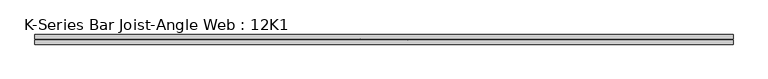
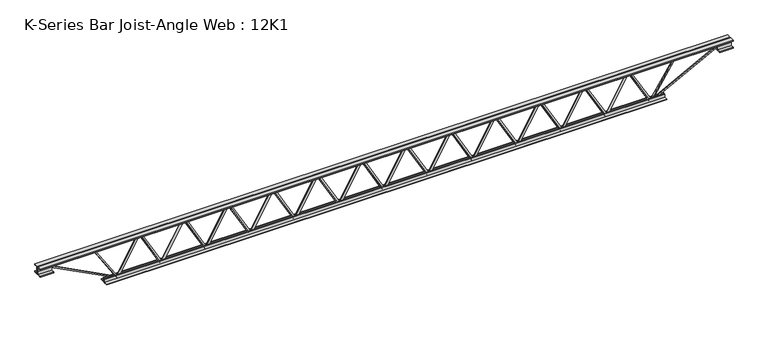
"""IFC4 building model written with IfcOpenShell, lengths in millimetres: beam geometry, K-Series Bar Joist-Angle Web : 12K1."""

from ifc_helpers import new_model, si_unit, frame, origin, place, context, project, spatial, polyline, outline, extrude, faceted_brep, source, transform, mapped, element, save


def k_series_bar_joist_angle_web_12k1_cefe0505(model_context):
    return source(origin(), model_context, "Body", "SolidModel", [
        extrude(outline(polyline([(-4.7625, -4.7625), (-17.4625, -4.7625), (-17.4625, 0.0), (-4.7625, 0.0), (-4.7625, -4.7625)])), frame((1671.6442885, 0.0, -114.3), z_axis=(-0.4915136705372825, 0.0, 0.8708698592068552), x_axis=(0.0, 1.0, 0.0)), (0.0, 0.0, 1.0), 262.496167),
        extrude(outline(polyline([(-130.175, 1703.2672348), (-130.175, 1702.4787229), (149.225, 1544.7870562), (149.225, 1526.5255682), (130.175, 1526.5255682), (130.175, 1533.6640802), (-149.225, 1691.3557468), (-149.225, 1703.2672348), (-130.175, 1703.2672348)])), frame((0.0, -4.7625, 0.0), z_axis=(0.0, 1.0, 0.0), x_axis=(0.0, 0.0, 1.0)), (0.0, 0.0, 1.0), 4.7625),
        faceted_brep([(1362.4839015, 0.0, -130.175), (1362.4839015, 4.7625, -130.175), (1362.4839015, 4.7625, -149.225), (1362.4839015, 0.0, -149.225), (1374.3953895, 0.0, -149.225), (1532.0870562, 0.0, 130.175), (1539.2255682, 0.0, 130.175), (1539.2255682, 0.0, 149.225), (1520.9640802, 0.0, 149.225), (1363.2724135, 0.0, -130.175), (1374.3953895, 4.7625, -149.225), (1363.2724135, 4.7625, -130.175), (1520.9640802, 4.7625, 149.225), (1539.2255682, 4.7625, 149.225), (1539.2255682, 4.7625, 130.175), (1532.0870562, 4.7625, 130.175), (1523.1273024, 4.7625, 114.3), (1518.9797847, 4.7625, 116.6408339), (1389.9593302, 4.7625, -111.9591661), (1394.1068479, 4.7625, -114.3), (1394.1068479, 17.4625, -114.3), (1523.1273024, 17.4625, 114.3), (1389.9593302, 17.4625, -111.9591661), (1518.9797847, 17.4625, 116.6408339)], [[[0, 1, 2, 3]], [[3, 4, 5, 6, 7, 8, 9, 0]], [[2, 10, 4, 3]], [[1, 11, 12, 13, 14, 15, 16, 17, 18, 19, 10, 2]], [[0, 9, 11, 1]], [[4, 10, 19, 20, 21, 16, 15, 5]], [[8, 12, 11, 9]], [[6, 14, 13, 7]], [[5, 15, 14, 6]], [[7, 13, 12, 8]], [[20, 19, 18, 22]], [[21, 23, 17, 16]], [[22, 23, 21, 20]], [[18, 17, 23, 22]]]),
        extrude(outline(polyline([(-4.7625, -4.7625), (-17.4625, -4.7625), (-17.4625, 0.0), (-4.7625, 0.0), (-4.7625, -4.7625)])), frame((1331.0052733, 0.0, -114.3), z_axis=(-0.4915136705372825, 0.0, 0.8708698592068552), x_axis=(0.0, 1.0, 0.0)), (0.0, 0.0, 1.0), 262.496167),
        extrude(outline(polyline([(-130.175, 1362.6282197), (-130.175, 1361.8397077), (149.225, 1204.148041), (149.225, 1185.886553), (130.175, 1185.886553), (130.175, 1193.025065), (-149.225, 1350.7167317), (-149.225, 1362.6282197), (-130.175, 1362.6282197)])), frame((0.0, -4.7625, 0.0), z_axis=(0.0, 1.0, 0.0), x_axis=(0.0, 0.0, 1.0)), (0.0, 0.0, 1.0), 4.7625),
        faceted_brep([(1021.8448864, 0.0, -130.175), (1021.8448864, 4.7625, -130.175), (1021.8448864, 4.7625, -149.225), (1021.8448864, 0.0, -149.225), (1033.7563744, 0.0, -149.225), (1191.448041, 0.0, 130.175), (1198.586553, 0.0, 130.175), (1198.586553, 0.0, 149.225), (1180.325065, 0.0, 149.225), (1022.6333983, 0.0, -130.175), (1033.7563744, 4.7625, -149.225), (1022.6333983, 4.7625, -130.175), (1180.325065, 4.7625, 149.225), (1198.586553, 4.7625, 149.225), (1198.586553, 4.7625, 130.175), (1191.448041, 4.7625, 130.175), (1182.4882873, 4.7625, 114.3), (1178.3407696, 4.7625, 116.6408339), (1049.320315, 4.7625, -111.9591661), (1053.4678327, 4.7625, -114.3), (1053.4678327, 17.4625, -114.3), (1182.4882873, 17.4625, 114.3), (1049.320315, 17.4625, -111.9591661), (1178.3407696, 17.4625, 116.6408339)], [[[0, 1, 2, 3]], [[3, 4, 5, 6, 7, 8, 9, 0]], [[2, 10, 4, 3]], [[1, 11, 12, 13, 14, 15, 16, 17, 18, 19, 10, 2]], [[0, 9, 11, 1]], [[4, 10, 19, 20, 21, 16, 15, 5]], [[8, 12, 11, 9]], [[6, 14, 13, 7]], [[5, 15, 14, 6]], [[7, 13, 12, 8]], [[20, 19, 18, 22]], [[21, 23, 17, 16]], [[22, 23, 21, 20]], [[18, 17, 23, 22]]]),
        extrude(outline(polyline([(-4.7625, -4.7625), (-17.4625, -4.7625), (-17.4625, 0.0), (-4.7625, 0.0), (-4.7625, -4.7625)])), frame((990.3662582, 0.0, -114.3), z_axis=(-0.4915136705372825, 0.0, 0.8708698592068552), x_axis=(0.0, 1.0, 0.0)), (0.0, 0.0, 1.0), 262.496167),
        extrude(outline(polyline([(-130.175, 1021.9892045), (-130.175, 1021.2006926), (149.225, 863.5090259), (149.225, 845.2475379), (130.175, 845.2475379), (130.175, 852.3860499), (-149.225, 1010.0777165), (-149.225, 1021.9892045), (-130.175, 1021.9892045)])), frame((0.0, -4.7625, 0.0), z_axis=(0.0, 1.0, 0.0), x_axis=(0.0, 0.0, 1.0)), (0.0, 0.0, 1.0), 4.7625),
        faceted_brep([(681.2058712, 0.0, -130.175), (681.2058712, 4.7625, -130.175), (681.2058712, 4.7625, -149.225), (681.2058712, 0.0, -149.225), (693.1173592, 0.0, -149.225), (850.8090259, 0.0, 130.175), (857.9475379, 0.0, 130.175), (857.9475379, 0.0, 149.225), (839.6860499, 0.0, 149.225), (681.9943832, 0.0, -130.175), (693.1173592, 4.7625, -149.225), (681.9943832, 4.7625, -130.175), (839.6860499, 4.7625, 149.225), (857.9475379, 4.7625, 149.225), (857.9475379, 4.7625, 130.175), (850.8090259, 4.7625, 130.175), (841.8492721, 4.7625, 114.3), (837.7017544, 4.7625, 116.6408339), (708.6812999, 4.7625, -111.9591661), (712.8288176, 4.7625, -114.3), (712.8288176, 17.4625, -114.3), (841.8492721, 17.4625, 114.3), (708.6812999, 17.4625, -111.9591661), (837.7017544, 17.4625, 116.6408339)], [[[0, 1, 2, 3]], [[3, 4, 5, 6, 7, 8, 9, 0]], [[2, 10, 4, 3]], [[1, 11, 12, 13, 14, 15, 16, 17, 18, 19, 10, 2]], [[0, 9, 11, 1]], [[4, 10, 19, 20, 21, 16, 15, 5]], [[8, 12, 11, 9]], [[6, 14, 13, 7]], [[5, 15, 14, 6]], [[7, 13, 12, 8]], [[20, 19, 18, 22]], [[21, 23, 17, 16]], [[22, 23, 21, 20]], [[18, 17, 23, 22]]]),
        extrude(outline(polyline([(-4.7625, -4.7625), (-17.4625, -4.7625), (-17.4625, 0.0), (-4.7625, 0.0), (-4.7625, -4.7625)])), frame((649.727243, 0.0, -114.3), z_axis=(-0.4915136705372825, 0.0, 0.8708698592068552), x_axis=(0.0, 1.0, 0.0)), (0.0, 0.0, 1.0), 262.496167),
        extrude(outline(polyline([(-130.175, 681.3501894), (-130.175, 680.5616774), (149.225, 522.8700107), (149.225, 504.6085227), (130.175, 504.6085227), (130.175, 511.7470347), (-149.225, 669.4387014), (-149.225, 681.3501894), (-130.175, 681.3501894)])), frame((0.0, -4.7625, 0.0), z_axis=(0.0, 1.0, 0.0), x_axis=(0.0, 0.0, 1.0)), (0.0, 0.0, 1.0), 4.7625),
        faceted_brep([(340.5668561, 0.0, -130.175), (340.5668561, 4.7625, -130.175), (340.5668561, 4.7625, -149.225), (340.5668561, 0.0, -149.225), (352.4783441, 0.0, -149.225), (510.1700107, 0.0, 130.175), (517.3085227, 0.0, 130.175), (517.3085227, 0.0, 149.225), (499.0470347, 0.0, 149.225), (341.355368, 0.0, -130.175), (352.4783441, 4.7625, -149.225), (341.355368, 4.7625, -130.175), (499.0470347, 4.7625, 149.225), (517.3085227, 4.7625, 149.225), (517.3085227, 4.7625, 130.175), (510.1700107, 4.7625, 130.175), (501.210257, 4.7625, 114.3), (497.0627393, 4.7625, 116.6408339), (368.0422847, 4.7625, -111.9591661), (372.1898024, 4.7625, -114.3), (372.1898024, 17.4625, -114.3), (501.210257, 17.4625, 114.3), (368.0422847, 17.4625, -111.9591661), (497.0627393, 17.4625, 116.6408339)], [[[0, 1, 2, 3]], [[3, 4, 5, 6, 7, 8, 9, 0]], [[2, 10, 4, 3]], [[1, 11, 12, 13, 14, 15, 16, 17, 18, 19, 10, 2]], [[0, 9, 11, 1]], [[4, 10, 19, 20, 21, 16, 15, 5]], [[8, 12, 11, 9]], [[6, 14, 13, 7]], [[5, 15, 14, 6]], [[7, 13, 12, 8]], [[20, 19, 18, 22]], [[21, 23, 17, 16]], [[22, 23, 21, 20]], [[18, 17, 23, 22]]]),
        extrude(outline(polyline([(-4.7625, -4.7625), (-17.4625, -4.7625), (-17.4625, 0.0), (-4.7625, 0.0), (-4.7625, -4.7625)])), frame((309.0882279, 0.0, -114.3), z_axis=(-0.4915136705372825, 0.0, 0.8708698592068552), x_axis=(0.0, 1.0, 0.0)), (0.0, 0.0, 1.0), 262.496167),
        extrude(outline(polyline([(-130.175, 340.7111742), (-130.175, 339.9226623), (149.225, 182.2309956), (149.225, 163.9695076), (130.175, 163.9695076), (130.175, 171.1080196), (-149.225, 328.7996862), (-149.225, 340.7111742), (-130.175, 340.7111742)])), frame((0.0, -4.7625, 0.0), z_axis=(0.0, 1.0, 0.0), x_axis=(0.0, 0.0, 1.0)), (0.0, 0.0, 1.0), 4.7625),
        faceted_brep([(-0.0721591, 0.0, -130.175), (-0.0721591, 4.7625, -130.175), (-0.0721591, 4.7625, -149.225), (-0.0721591, 0.0, -149.225), (11.8393289, 0.0, -149.225), (169.5309956, 0.0, 130.175), (176.6695076, 0.0, 130.175), (176.6695076, 0.0, 149.225), (158.4080196, 0.0, 149.225), (0.7163529, 0.0, -130.175), (11.8393289, 4.7625, -149.225), (0.7163529, 4.7625, -130.175), (158.4080196, 4.7625, 149.225), (176.6695076, 4.7625, 149.225), (176.6695076, 4.7625, 130.175), (169.5309956, 4.7625, 130.175), (160.5712418, 4.7625, 114.3), (156.4237241, 4.7625, 116.6408339), (27.4032696, 4.7625, -111.9591661), (31.5507873, 4.7625, -114.3), (31.5507873, 17.4625, -114.3), (160.5712418, 17.4625, 114.3), (27.4032696, 17.4625, -111.9591661), (156.4237241, 17.4625, 116.6408339)], [[[0, 1, 2, 3]], [[3, 4, 5, 6, 7, 8, 9, 0]], [[2, 10, 4, 3]], [[1, 11, 12, 13, 14, 15, 16, 17, 18, 19, 10, 2]], [[0, 9, 11, 1]], [[4, 10, 19, 20, 21, 16, 15, 5]], [[8, 12, 11, 9]], [[6, 14, 13, 7]], [[5, 15, 14, 6]], [[7, 13, 12, 8]], [[20, 19, 18, 22]], [[21, 23, 17, 16]], [[22, 23, 21, 20]], [[18, 17, 23, 22]]]),
        extrude(outline(polyline([(-4.7625, -4.7625), (-17.4625, -4.7625), (-17.4625, 0.0), (-4.7625, 0.0), (-4.7625, -4.7625)])), frame((-31.5507873, 0.0, -114.3), z_axis=(-0.4915136705372825, 0.0, 0.8708698592068552), x_axis=(0.0, 1.0, 0.0)), (0.0, 0.0, 1.0), 262.496167),
        extrude(outline(polyline([(-130.175, 0.0721591), (-130.175, -0.7163529), (149.225, -158.4080196), (149.225, -176.6695076), (130.175, -176.6695076), (130.175, -169.5309956), (-149.225, -11.8393289), (-149.225, 0.0721591), (-130.175, 0.0721591)])), frame((0.0, -4.7625, 0.0), z_axis=(0.0, 1.0, 0.0), x_axis=(0.0, 0.0, 1.0)), (0.0, 0.0, 1.0), 4.7625),
        faceted_brep([(-340.7111742, 0.0, -130.175), (-340.7111742, 4.7625, -130.175), (-340.7111742, 4.7625, -149.225), (-340.7111742, 0.0, -149.225), (-328.7996862, 0.0, -149.225), (-171.1080196, 0.0, 130.175), (-163.9695076, 0.0, 130.175), (-163.9695076, 0.0, 149.225), (-182.2309956, 0.0, 149.225), (-339.9226623, 0.0, -130.175), (-328.7996862, 4.7625, -149.225), (-339.9226623, 4.7625, -130.175), (-182.2309956, 4.7625, 149.225), (-163.9695076, 4.7625, 149.225), (-163.9695076, 4.7625, 130.175), (-171.1080196, 4.7625, 130.175), (-180.0677733, 4.7625, 114.3), (-184.215291, 4.7625, 116.6408339), (-313.2357456, 4.7625, -111.9591661), (-309.0882279, 4.7625, -114.3), (-309.0882279, 17.4625, -114.3), (-180.0677733, 17.4625, 114.3), (-313.2357456, 17.4625, -111.9591661), (-184.215291, 17.4625, 116.6408339)], [[[0, 1, 2, 3]], [[3, 4, 5, 6, 7, 8, 9, 0]], [[2, 10, 4, 3]], [[1, 11, 12, 13, 14, 15, 16, 17, 18, 19, 10, 2]], [[0, 9, 11, 1]], [[4, 10, 19, 20, 21, 16, 15, 5]], [[8, 12, 11, 9]], [[6, 14, 13, 7]], [[5, 15, 14, 6]], [[7, 13, 12, 8]], [[20, 19, 18, 22]], [[21, 23, 17, 16]], [[22, 23, 21, 20]], [[18, 17, 23, 22]]]),
        extrude(outline(polyline([(-4.7625, -4.7625), (-17.4625, -4.7625), (-17.4625, 0.0), (-4.7625, 0.0), (-4.7625, -4.7625)])), frame((-372.1898024, 0.0, -114.3), z_axis=(-0.4915136705372825, 0.0, 0.8708698592068552), x_axis=(0.0, 1.0, 0.0)), (0.0, 0.0, 1.0), 262.496167),
        extrude(outline(polyline([(-130.175, -340.5668561), (-130.175, -341.355368), (149.225, -499.0470347), (149.225, -517.3085227), (130.175, -517.3085227), (130.175, -510.1700107), (-149.225, -352.4783441), (-149.225, -340.5668561), (-130.175, -340.5668561)])), frame((0.0, -4.7625, 0.0), z_axis=(0.0, 1.0, 0.0), x_axis=(0.0, 0.0, 1.0)), (0.0, 0.0, 1.0), 4.7625),
        faceted_brep([(-681.3501894, 0.0, -130.175), (-681.3501894, 4.7625, -130.175), (-681.3501894, 4.7625, -149.225), (-681.3501894, 0.0, -149.225), (-669.4387014, 0.0, -149.225), (-511.7470347, 0.0, 130.175), (-504.6085227, 0.0, 130.175), (-504.6085227, 0.0, 149.225), (-522.8700107, 0.0, 149.225), (-680.5616774, 0.0, -130.175), (-669.4387014, 4.7625, -149.225), (-680.5616774, 4.7625, -130.175), (-522.8700107, 4.7625, 149.225), (-504.6085227, 4.7625, 149.225), (-504.6085227, 4.7625, 130.175), (-511.7470347, 4.7625, 130.175), (-520.7067885, 4.7625, 114.3), (-524.8543062, 4.7625, 116.6408339), (-653.8747607, 4.7625, -111.9591661), (-649.727243, 4.7625, -114.3), (-649.727243, 17.4625, -114.3), (-520.7067885, 17.4625, 114.3), (-653.8747607, 17.4625, -111.9591661), (-524.8543062, 17.4625, 116.6408339)], [[[0, 1, 2, 3]], [[3, 4, 5, 6, 7, 8, 9, 0]], [[2, 10, 4, 3]], [[1, 11, 12, 13, 14, 15, 16, 17, 18, 19, 10, 2]], [[0, 9, 11, 1]], [[4, 10, 19, 20, 21, 16, 15, 5]], [[8, 12, 11, 9]], [[6, 14, 13, 7]], [[5, 15, 14, 6]], [[7, 13, 12, 8]], [[20, 19, 18, 22]], [[21, 23, 17, 16]], [[22, 23, 21, 20]], [[18, 17, 23, 22]]]),
        extrude(outline(polyline([(-4.7625, -4.7625), (-17.4625, -4.7625), (-17.4625, 0.0), (-4.7625, 0.0), (-4.7625, -4.7625)])), frame((-712.8288176, 0.0, -114.3), z_axis=(-0.4915136705372825, 0.0, 0.8708698592068552), x_axis=(0.0, 1.0, 0.0)), (0.0, 0.0, 1.0), 262.496167),
        extrude(outline(polyline([(-130.175, -681.2058712), (-130.175, -681.9943832), (149.225, -839.6860499), (149.225, -857.9475379), (130.175, -857.9475379), (130.175, -850.8090259), (-149.225, -693.1173592), (-149.225, -681.2058712), (-130.175, -681.2058712)])), frame((0.0, -4.7625, 0.0), z_axis=(0.0, 1.0, 0.0), x_axis=(0.0, 0.0, 1.0)), (0.0, 0.0, 1.0), 4.7625),
        faceted_brep([(-1021.9892045, 0.0, -130.175), (-1021.9892045, 4.7625, -130.175), (-1021.9892045, 4.7625, -149.225), (-1021.9892045, 0.0, -149.225), (-1010.0777165, 0.0, -149.225), (-852.3860499, 0.0, 130.175), (-845.2475379, 0.0, 130.175), (-845.2475379, 0.0, 149.225), (-863.5090259, 0.0, 149.225), (-1021.2006926, 0.0, -130.175), (-1010.0777165, 4.7625, -149.225), (-1021.2006926, 4.7625, -130.175), (-863.5090259, 4.7625, 149.225), (-845.2475379, 4.7625, 149.225), (-845.2475379, 4.7625, 130.175), (-852.3860499, 4.7625, 130.175), (-861.3458036, 4.7625, 114.3), (-865.4933214, 4.7625, 116.6408339), (-994.5137759, 4.7625, -111.9591661), (-990.3662582, 4.7625, -114.3), (-990.3662582, 17.4625, -114.3), (-861.3458036, 17.4625, 114.3), (-994.5137759, 17.4625, -111.9591661), (-865.4933214, 17.4625, 116.6408339)], [[[0, 1, 2, 3]], [[3, 4, 5, 6, 7, 8, 9, 0]], [[2, 10, 4, 3]], [[1, 11, 12, 13, 14, 15, 16, 17, 18, 19, 10, 2]], [[0, 9, 11, 1]], [[4, 10, 19, 20, 21, 16, 15, 5]], [[8, 12, 11, 9]], [[6, 14, 13, 7]], [[5, 15, 14, 6]], [[7, 13, 12, 8]], [[20, 19, 18, 22]], [[21, 23, 17, 16]], [[22, 23, 21, 20]], [[18, 17, 23, 22]]]),
        extrude(outline(polyline([(-4.7625, -4.7625), (-17.4625, -4.7625), (-17.4625, 0.0), (-4.7625, 0.0), (-4.7625, -4.7625)])), frame((-1053.4678327, 0.0, -114.3), z_axis=(-0.4915136705372825, 0.0, 0.8708698592068552), x_axis=(0.0, 1.0, 0.0)), (0.0, 0.0, 1.0), 262.496167),
        extrude(outline(polyline([(-130.175, -1021.8448864), (-130.175, -1022.6333983), (149.225, -1180.325065), (149.225, -1198.586553), (130.175, -1198.586553), (130.175, -1191.448041), (-149.225, -1033.7563744), (-149.225, -1021.8448864), (-130.175, -1021.8448864)])), frame((0.0, -4.7625, 0.0), z_axis=(0.0, 1.0, 0.0), x_axis=(0.0, 0.0, 1.0)), (0.0, 0.0, 1.0), 4.7625),
        faceted_brep([(-1362.6282197, 0.0, -130.175), (-1362.6282197, 4.7625, -130.175), (-1362.6282197, 4.7625, -149.225), (-1362.6282197, 0.0, -149.225), (-1350.7167317, 0.0, -149.225), (-1193.025065, 0.0, 130.175), (-1185.886553, 0.0, 130.175), (-1185.886553, 0.0, 149.225), (-1204.148041, 0.0, 149.225), (-1361.8397077, 0.0, -130.175), (-1350.7167317, 4.7625, -149.225), (-1361.8397077, 4.7625, -130.175), (-1204.148041, 4.7625, 149.225), (-1185.886553, 4.7625, 149.225), (-1185.886553, 4.7625, 130.175), (-1193.025065, 4.7625, 130.175), (-1201.9848188, 4.7625, 114.3), (-1206.1323365, 4.7625, 116.6408339), (-1335.152791, 4.7625, -111.9591661), (-1331.0052733, 4.7625, -114.3), (-1331.0052733, 17.4625, -114.3), (-1201.9848188, 17.4625, 114.3), (-1335.152791, 17.4625, -111.9591661), (-1206.1323365, 17.4625, 116.6408339)], [[[0, 1, 2, 3]], [[3, 4, 5, 6, 7, 8, 9, 0]], [[2, 10, 4, 3]], [[1, 11, 12, 13, 14, 15, 16, 17, 18, 19, 10, 2]], [[0, 9, 11, 1]], [[4, 10, 19, 20, 21, 16, 15, 5]], [[8, 12, 11, 9]], [[6, 14, 13, 7]], [[5, 15, 14, 6]], [[7, 13, 12, 8]], [[20, 19, 18, 22]], [[21, 23, 17, 16]], [[22, 23, 21, 20]], [[18, 17, 23, 22]]]),
        extrude(outline(polyline([(-4.7625, -4.7625), (-17.4625, -4.7625), (-17.4625, 0.0), (-4.7625, 0.0), (-4.7625, -4.7625)])), frame((-1394.1068479, 0.0, -114.3), z_axis=(-0.4915136705372825, 0.0, 0.8708698592068552), x_axis=(0.0, 1.0, 0.0)), (0.0, 0.0, 1.0), 262.496167),
        extrude(outline(polyline([(-130.175, -1362.4839015), (-130.175, -1363.2724135), (149.225, -1520.9640802), (149.225, -1539.2255682), (130.175, -1539.2255682), (130.175, -1532.0870562), (-149.225, -1374.3953895), (-149.225, -1362.4839015), (-130.175, -1362.4839015)])), frame((0.0, -4.7625, 0.0), z_axis=(0.0, 1.0, 0.0), x_axis=(0.0, 0.0, 1.0)), (0.0, 0.0, 1.0), 4.7625),
        faceted_brep([(-1703.2672348, 0.0, -130.175), (-1703.2672348, 4.7625, -130.175), (-1703.2672348, 4.7625, -149.225), (-1703.2672348, 0.0, -149.225), (-1691.3557468, 0.0, -149.225), (-1533.6640802, 0.0, 130.175), (-1526.5255682, 0.0, 130.175), (-1526.5255682, 0.0, 149.225), (-1544.7870562, 0.0, 149.225), (-1702.4787229, 0.0, -130.175), (-1691.3557468, 4.7625, -149.225), (-1702.4787229, 4.7625, -130.175), (-1544.7870562, 4.7625, 149.225), (-1526.5255682, 4.7625, 149.225), (-1526.5255682, 4.7625, 130.175), (-1533.6640802, 4.7625, 130.175), (-1542.623834, 4.7625, 114.3), (-1546.7713517, 4.7625, 116.6408339), (-1675.7918062, 4.7625, -111.9591661), (-1671.6442885, 4.7625, -114.3), (-1671.6442885, 17.4625, -114.3), (-1542.623834, 17.4625, 114.3), (-1675.7918062, 17.4625, -111.9591661), (-1546.7713517, 17.4625, 116.6408339)], [[[0, 1, 2, 3]], [[3, 4, 5, 6, 7, 8, 9, 0]], [[2, 10, 4, 3]], [[1, 11, 12, 13, 14, 15, 16, 17, 18, 19, 10, 2]], [[0, 9, 11, 1]], [[4, 10, 19, 20, 21, 16, 15, 5]], [[8, 12, 11, 9]], [[6, 14, 13, 7]], [[5, 15, 14, 6]], [[7, 13, 12, 8]], [[20, 19, 18, 22]], [[21, 23, 17, 16]], [[22, 23, 21, 20]], [[18, 17, 23, 22]]]),
        extrude(outline(polyline([(-4.7625, -4.7625001), (-17.4625, -4.7625001), (-17.4625, 0.0), (-4.7625, 0.0), (-4.7625, -4.7625001)])), frame((2012.2833036, 0.0, -114.3), z_axis=(-0.4915136705372825, 0.0, 0.8708698592068552), x_axis=(0.0, 1.0, 0.0)), (0.0, 0.0, 1.0), 262.496167),
        extrude(outline(polyline([(-130.175, 2043.90625), (-130.175, 2043.117738), (149.225, 1885.4260714), (149.225, 1867.1645833), (130.175, 1867.1645833), (130.175, 1874.3030953), (-149.225, 2031.994762), (-149.225, 2043.90625), (-130.175, 2043.90625)])), frame((0.0, -4.7625, 0.0), z_axis=(0.0, 1.0, 0.0), x_axis=(0.0, 0.0, 1.0)), (0.0, 0.0, 1.0), 4.7625),
        faceted_brep([(1703.1229167, 0.0, -130.175), (1703.1229167, 4.7625, -130.175), (1703.1229167, 4.7625, -149.225), (1703.1229167, 0.0, -149.225), (1715.0344047, 0.0, -149.225), (1872.7260714, 0.0, 130.175), (1879.8645833, 0.0, 130.175), (1879.8645833, 0.0, 149.225), (1861.6030953, 0.0, 149.225), (1703.9114286, 0.0, -130.175), (1715.0344047, 4.7625, -149.225), (1703.9114286, 4.7625, -130.175), (1861.6030953, 4.7625, 149.225), (1879.8645833, 4.7625, 149.225), (1879.8645833, 4.7625, 130.175), (1872.7260714, 4.7625, 130.175), (1863.7663176, 4.7625, 114.3), (1859.6187999, 4.7625, 116.6408339), (1730.5983453, 4.7625, -111.9591661), (1734.745863, 4.7625, -114.3), (1734.745863, 17.4625, -114.3), (1863.7663176, 17.4625, 114.3), (1730.5983453, 17.4625, -111.9591661), (1859.6187999, 17.4625, 116.6408339)], [[[0, 1, 2, 3]], [[3, 4, 5, 6, 7, 8, 9, 0]], [[2, 10, 4, 3]], [[1, 11, 12, 13, 14, 15, 16, 17, 18, 19, 10, 2]], [[0, 9, 11, 1]], [[4, 10, 19, 20, 21, 16, 15, 5]], [[8, 12, 11, 9]], [[6, 14, 13, 7]], [[5, 15, 14, 6]], [[7, 13, 12, 8]], [[20, 19, 18, 22]], [[21, 23, 17, 16]], [[22, 23, 21, 20]], [[18, 17, 23, 22]]]),
        extrude(outline(polyline([(-4.7625, -4.7625), (-17.4625, -4.7625), (-17.4625, 0.0), (-4.7625, 0.0), (-4.7625, -4.7625)])), frame((-1734.745863, 0.0, -114.3), z_axis=(-0.4915136705372825, 0.0, 0.8708698592068552), x_axis=(0.0, 1.0, 0.0)), (0.0, 0.0, 1.0), 262.496167),
        extrude(outline(polyline([(-130.175, -1703.1229167), (-130.175, -1703.9114286), (149.225, -1861.6030953), (149.225, -1879.8645833), (130.175, -1879.8645833), (130.175, -1872.7260714), (-149.225, -1715.0344047), (-149.225, -1703.1229167), (-130.175, -1703.1229167)])), frame((0.0, -4.7625, 0.0), z_axis=(0.0, 1.0, 0.0), x_axis=(0.0, 0.0, 1.0)), (0.0, 0.0, 1.0), 4.7625),
        faceted_brep([(-2043.90625, 0.0, -130.175), (-2043.90625, 4.7625, -130.175), (-2043.90625, 4.7625, -149.225), (-2043.90625, 0.0, -149.225), (-2031.994762, 0.0, -149.225), (-1874.3030953, 0.0, 130.175), (-1867.1645833, 0.0, 130.175), (-1867.1645833, 0.0, 149.225), (-1885.4260714, 0.0, 149.225), (-2043.117738, 0.0, -130.175), (-2031.994762, 4.7625, -149.225), (-2043.117738, 4.7625, -130.175), (-1885.4260714, 4.7625, 149.225), (-1867.1645833, 4.7625, 149.225), (-1867.1645833, 4.7625, 130.175), (-1874.3030953, 4.7625, 130.175), (-1883.2628491, 4.7625, 114.3), (-1887.4103668, 4.7625, 116.6408339), (-2016.4308214, 4.7625, -111.9591661), (-2012.2833036, 4.7625, -114.3), (-2012.2833036, 17.4625, -114.3), (-1883.2628491, 17.4625, 114.3), (-2016.4308214, 17.4625, -111.9591661), (-1887.4103668, 17.4625, 116.6408339)], [[[0, 1, 2, 3]], [[3, 4, 5, 6, 7, 8, 9, 0]], [[2, 10, 4, 3]], [[1, 11, 12, 13, 14, 15, 16, 17, 18, 19, 10, 2]], [[0, 9, 11, 1]], [[4, 10, 19, 20, 21, 16, 15, 5]], [[8, 12, 11, 9]], [[6, 14, 13, 7]], [[5, 15, 14, 6]], [[7, 13, 12, 8]], [[20, 19, 18, 22]], [[21, 23, 17, 16]], [[22, 23, 21, 20]], [[18, 17, 23, 22]]]),
        extrude(outline(polyline([(-4.7625, 152.4), (-4.7625, 120.65), (-11.1125, 120.65), (-11.1125, 146.05), (-36.5125, 146.05), (-36.5125, 152.4), (-4.7625, 152.4)])), frame((-2653.50625, 0.0, 0.0), z_axis=(1.0, 0.0, 0.0), x_axis=(0.0, 1.0, 0.0)), (0.0, 0.0, 1.0), 5307.0125),
        extrude(outline(polyline([(4.7625, 152.4), (36.5125, 152.4), (36.5125, 146.05), (11.1125, 146.05), (11.1125, 120.65), (4.7625, 120.65), (4.7625, 152.4)])), frame((-2653.50625, 0.0, 0.0), z_axis=(1.0, 0.0, 0.0), x_axis=(0.0, 1.0, 0.0)), (0.0, 0.0, 1.0), 5307.0125),
        extrude(outline(polyline([(4.7625, 88.9), (4.7625, 120.65), (11.1125, 120.65), (11.1125, 95.25), (36.5125, 95.25), (36.5125, 88.9), (4.7625, 88.9)])), frame((-2653.50625, 0.0, 0.0), z_axis=(1.0, 0.0, 0.0), x_axis=(0.0, 1.0, 0.0)), (0.0, 0.0, 1.0), 101.6),
        extrude(outline(polyline([(-36.5125, 88.9), (-36.5125, 95.25), (-11.1125, 95.25), (-11.1125, 120.65), (-4.7625, 120.65), (-4.7625, 88.9), (-36.5125, 88.9)])), frame((-2653.50625, 0.0, 0.0), z_axis=(1.0, 0.0, 0.0), x_axis=(0.0, 1.0, 0.0)), (0.0, 0.0, 1.0), 101.6),
        extrude(outline(polyline([(-4.7625, 88.9), (-36.5125, 88.9), (-36.5125, 95.25), (-11.1125, 95.25), (-11.1125, 120.65), (-4.7625, 120.65), (-4.7625, 88.9)])), frame((2551.90625, 0.0, 0.0), z_axis=(1.0, 0.0, 0.0), x_axis=(0.0, 1.0, 0.0)), (0.0, 0.0, 1.0), 101.6),
        extrude(outline(polyline([(4.7625, 88.9), (4.7625, 120.65), (11.1125, 120.65), (11.1125, 95.25), (36.5125, 95.25), (36.5125, 88.9), (4.7625, 88.9)])), frame((2551.90625, 0.0, 0.0), z_axis=(1.0, 0.0, 0.0), x_axis=(0.0, 1.0, 0.0)), (0.0, 0.0, 1.0), 101.6),
        extrude(outline(polyline([(-4.7625, -152.4), (-36.5125, -152.4), (-36.5125, -146.05), (-11.1125, -146.05), (-11.1125, -120.65), (-4.7625, -120.65), (-4.7625, -152.4)])), frame((-2145.50625, 0.0, 0.0), z_axis=(1.0, 0.0, 0.0), x_axis=(0.0, 1.0, 0.0)), (0.0, 0.0, 1.0), 4291.0125),
        extrude(outline(polyline([(4.7625, -152.4), (4.7625, -120.65), (11.1125, -120.65), (11.1125, -146.05), (36.5125, -146.05), (36.5125, -152.4), (4.7625, -152.4)])), frame((-2145.50625, 0.0, 0.0), z_axis=(1.0, 0.0, 0.0), x_axis=(0.0, 1.0, 0.0)), (0.0, 0.0, 1.0), 4291.0125),
        extrude(outline(polyline([(4.7625, -4.7625), (-4.7625, -4.7625), (-4.7625, 4.7625), (4.7625, 4.7625), (4.7625, -4.7625)])), frame((2043.90625, 0.0, -146.05), z_axis=(0.5383892771028512, 0.0, 0.8426962598117244), x_axis=(0.0, 1.0, 0.0)), (0.0, 0.0, 1.0), 316.4841387),
        extrude(outline(polyline([(4.7625, -4.7625), (-4.7625, -4.7625), (-4.7625, 4.7625), (4.7625, 4.7625), (4.7625, -4.7625)])), frame((-2043.90625, 0.0, -146.05), z_axis=(-0.5383892771028114, 0.0, 0.8426962598117499), x_axis=(0.0, 1.0, 0.0)), (0.0, 0.0, 1.0), 316.4841387),
        extrude(outline(polyline([(0.0, 9.525), (573.7533355, 9.525), (573.7533355, 0.0), (0.0, 0.0), (0.0, 9.525)])), frame((2554.1200214, 4.7625, 116.4332925), z_axis=(-0.4648338989893243, 0.0, 0.8853979028382566), x_axis=(-0.8853979028382566, 0.0, -0.4648338989893243)), (0.0, 0.0, 1.0), 9.525),
        extrude(outline(polyline([(0.0, 9.525), (573.7533355, 9.525), (573.7533355, 0.0), (0.0, 0.0), (0.0, 9.525)])), frame((-2554.1200214, -4.7625, 116.4332925), z_axis=(0.46483389898932065, 0.0, 0.8853979028382585), x_axis=(0.8853979028382585, 0.0, -0.46483389898932065)), (0.0, 0.0, 1.0), 9.525),
    ])


if __name__ == "__main__":
    model = new_model("IFC4")
    model_context = context("Model", 3, world=origin())
    ifc_project = project(units=[si_unit("LENGTHUNIT", "METRE", prefix="MILLI")], contexts=[model_context])
    site = spatial("IfcSite", under=ifc_project)
    building = spatial("IfcBuilding", under=site)
    placement = place(None, origin())
    k_series_bar_joist_angle_web_12k1_shape = k_series_bar_joist_angle_web_12k1_cefe0505(model_context)
    element("IfcBeam", 1, ObjectType="K-Series Bar Joist-Angle Web : 12K1", at=placement, inside=building, context=model_context, shape_type="MappedRepresentation", body=[
        mapped(k_series_bar_joist_angle_web_12k1_shape, transform((0.0, 0.0, 0.0), x_axis=(1.0, 0.0, 0.0), y_axis=(0.0, 1.0, 0.0), z_axis=(0.0, 0.0, 1.0))),
    ])
    save(model, "model.ifc")
